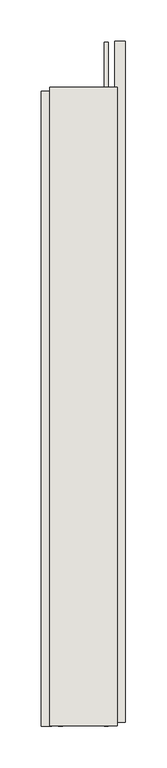
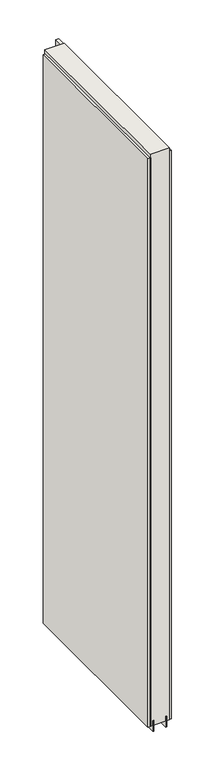
"""IFC4 building model written with IfcOpenShell, lengths in millimetres: wall geometry."""

from ifc_helpers import new_model, si_unit, frame, origin, place, context, project, spatial, polyline, outline, extrude, source, transform, mapped, element, save


def wall_8242bd03(model_context):
    return source(origin(), model_context, "Body", "SweptSolid", [
        extrude(outline(polyline([(61018.457211, -41026.3776626), (61018.457211, -41028.9176626), (61015.917211, -41028.9176626), (61015.917211, -41026.3776626), (61018.457211, -41026.3776626)])), frame((0.0, 0.0, 4419.6), z_axis=(0.0, 0.0, 1.0), x_axis=(1.0, 0.0, 0.0)), (0.0, 0.0, 1.0), 2.54),
        extrude(outline(polyline([(60966.387211, -41798.5432125), (60966.387211, -41030.8443923), (60979.087211, -41030.8443923), (60979.087211, -41798.5432125), (60966.387211, -41798.5432125)])), frame((0.0, 0.0, 4445.0), z_axis=(0.0, 0.0, 1.0), x_axis=(1.0, 0.0, 0.0)), (0.0, 0.0, 1.0), 2545.0498756),
        extrude(outline(polyline([(61067.987211, -40970.6134485), (61067.987211, -41793.6122343), (61055.287211, -41793.6122343), (61055.287211, -40970.6134485), (61067.987211, -40970.6134485)])), frame((0.0, 0.0, 4445.0), z_axis=(0.0, 0.0, 1.0), x_axis=(1.0, 0.0, 0.0)), (0.0, 0.0, 1.0), 2545.0498756),
        extrude(outline(polyline([(60992.1034664, -41026.3857144), (60992.1034664, -41798.0874476), (60987.024711, -41798.0874476), (60987.024711, -41026.3857144), (60992.1034664, -41026.3857144)])), frame((0.0, 0.0, 4418.6602), z_axis=(0.0, 0.0, 1.0), x_axis=(1.0, 0.0, 0.0)), (0.0, 0.0, 1.0), 47.625),
        extrude(outline(polyline([(60992.1034664, -41026.3857144), (60992.1034664, -41798.0874476), (60987.024711, -41798.0874476), (60987.024711, -41026.3857144), (60992.1034664, -41026.3857144)])), frame((0.0, 0.0, 4418.6602), z_axis=(0.0, 0.0, 1.0), x_axis=(1.0, 0.0, 0.0)), (0.0, 0.0, 1.0), 47.625),
        extrude(outline(polyline([(61042.2709556, -41798.0874476), (61042.2709556, -40971.0898636), (61047.349711, -40971.0898636), (61047.349711, -41798.0874476), (61042.2709556, -41798.0874476)])), frame((0.0, 0.0, 4418.6602), z_axis=(0.0, 0.0, 1.0), x_axis=(1.0, 0.0, 0.0)), (0.0, 0.0, 1.0), 47.625),
        extrude(outline(polyline([(61042.2709556, -41798.0874476), (61042.2709556, -40971.0898636), (61047.349711, -40971.0898636), (61047.349711, -41798.0874476), (61042.2709556, -41798.0874476)])), frame((0.0, 0.0, 4418.6602), z_axis=(0.0, 0.0, 1.0), x_axis=(1.0, 0.0, 0.0)), (0.0, 0.0, 1.0), 47.625),
        extrude(outline(polyline([(60976.5323266, -41026.3857144), (61057.8420954, -41026.3857144), (61057.8420954, -41798.0874476), (60976.5323266, -41798.0874476), (60976.5323266, -41026.3857144)])), frame((0.0, 0.0, 4445.0), z_axis=(0.0, 0.0, 1.0), x_axis=(1.0, 0.0, 0.0)), (0.0, 0.0, 1.0), 2562.4536762),
    ])


if __name__ == "__main__":
    model = new_model("IFC4")
    model_context = context("Model", 3, world=origin())
    ifc_project = project(units=[si_unit("LENGTHUNIT", "METRE", prefix="MILLI")], contexts=[model_context])
    site = spatial("IfcSite", under=ifc_project)
    building = spatial("IfcBuilding", under=site)
    placement = place(None, origin())
    wall_shape = wall_8242bd03(model_context)
    element("IfcWall", 1, at=placement, inside=building, context=model_context, shape_type="MappedRepresentation", body=[
        mapped(wall_shape, transform((0.0, 0.0, 0.0), x_axis=(1.0, 0.0, 0.0), y_axis=(0.0, 1.0, 0.0), z_axis=(0.0, 0.0, 1.0))),
    ])
    save(model, "model.ifc")
